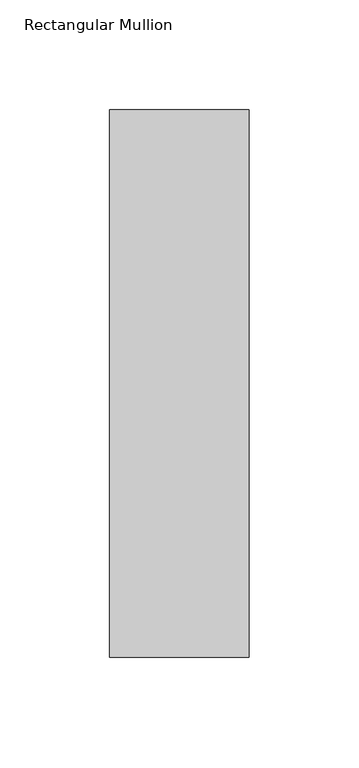
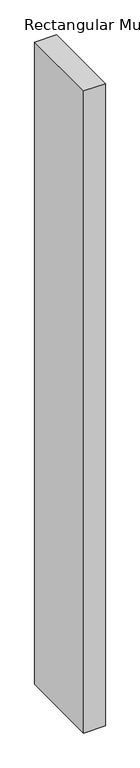
"""IFC4 building model written with IfcOpenShell, lengths in millimetres: member geometry, Rectangular Mullion."""

from ifc_helpers import new_model, si_unit, frame, origin, place, context, project, spatial, polyline, outline, extrude, source, transform, mapped, element, save


def rectangular_mullion_f14a94fe(model_context):
    return source(origin(), model_context, "Body", "SweptSolid", [
        extrude(outline(polyline([(31.7499996, 295.9695313), (31.75, 46.7447302), (-31.75, 46.7447302), (-31.75, 295.9695313), (31.7499996, 295.9695313)])), frame((0.0, 0.0, -1993.8999967), z_axis=(0.0, 0.0, 1.0), x_axis=(1.0, 0.0, 0.0)), (0.0, 0.0, 1.0), 1993.8999967),
    ])


if __name__ == "__main__":
    model = new_model("IFC4")
    model_context = context("Model", 3, world=origin())
    ifc_project = project(units=[si_unit("LENGTHUNIT", "METRE", prefix="MILLI")], contexts=[model_context])
    site = spatial("IfcSite", under=ifc_project)
    building = spatial("IfcBuilding", under=site)
    placement = place(None, origin())
    rectangular_mullion_shape = rectangular_mullion_f14a94fe(model_context)
    element("IfcMember", 1, ObjectType="Rectangular Mullion", at=placement, inside=building, context=model_context, shape_type="MappedRepresentation", body=[
        mapped(rectangular_mullion_shape, transform((0.0, 0.0, 0.0), x_axis=(1.0, 0.0, 0.0), y_axis=(0.0, 1.0, 0.0), z_axis=(0.0, 0.0, 1.0))),
    ])
    save(model, "model.ifc")
